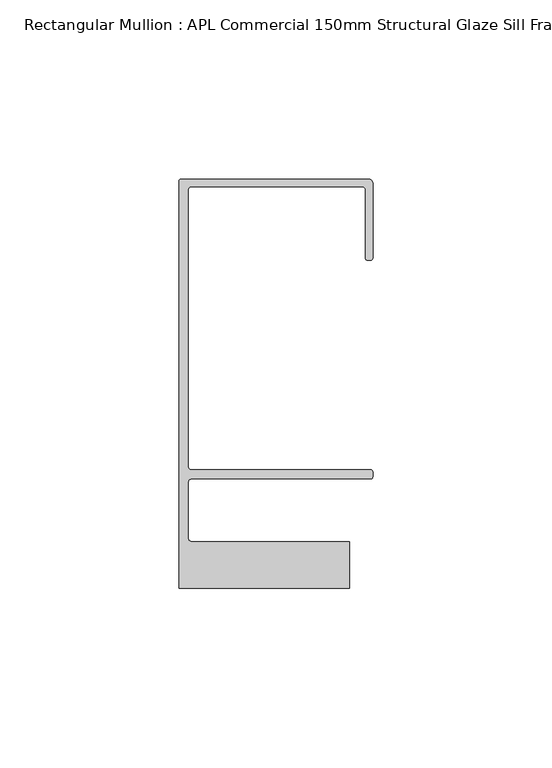
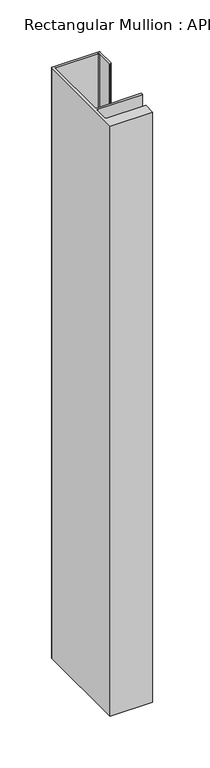
"""IFC4 building model written with IfcOpenShell, lengths in millimetres: member geometry, Rectangular Mullion : APL Commercial 150mm Structural Glaze Sill Frame (Back)."""

from ifc_helpers import new_model, si_unit, frame, origin, place, context, project, spatial, polyline, circle_curve, source, transform, mapped, element, save
from ifc_brep_helpers import plane_surface, cylinder_surface, revolved_surface, advanced_brep


def rectangular_mullion_apl_commercial_150mm_structural_glaze_d2a00883(model_context):
    return source(origin(), model_context, "Body", "AdvancedBrep", [
        advanced_brep(
        [(-53.5000083, 129.0001071, 0.0), (-54.0000083, 128.5001071, 0.0), (-54.0000083, 15.0004332, 0.0), (-6.5000083, 15.0004332, 0.0), (-6.5000083, 28.0004332, 0.0), (-50.500032, 28.0004332, 0.0), (-51.500032, 29.0004332, 0.0), (-51.500032, 44.4999541, 0.0), (-50.500032, 45.4999541, 0.0), (-0.521387, 45.4999541, 0.0), (-5.4e-06, 46.0213357, 0.0), (-5.4e-06, 47.5021598, 0.0), (-0.5000012, 48.000115, 0.0), (-50.482081, 48.000115, 0.0), (-51.5000225, 48.9999541, 0.0), (-51.5000225, 126.00011, 0.0), (-50.5000083, 127.00011, 0.0), (-2.9999982, 127.00011, 0.0), (-1.9999982, 126.0001071, 0.0), (-1.9999982, 107.0001071, 0.0), (-1.4999822, 106.5001071, 0.0), (-0.5, 106.5001071, 0.0), (0.0, 107.0001071, 0.0), (0.0, 128.0001071, 0.0), (-1.0000079, 129.0001071, 0.0), (-53.5000083, 129.0001071, -698.0499782), (-1.0000079, 129.0001071, -698.0499782), (-7.9e-06, 128.0001071, -698.0499782), (0.0, 107.0001071, -698.0499782), (-0.5, 106.5001071, -698.0499782), (-1.4999822, 106.5001071, -698.0499782), (-1.9999822, 107.0001071, -698.0499782), (-1.9999982, 126.0001071, -698.0499782), (-2.9999982, 127.0001071, -698.0499782), (-50.5000083, 127.00011, -698.0499782), (-51.5000083, 126.00011, -698.0499782), (-51.5000225, 48.9999541, -698.0499782), (-50.482081, 48.000115, -698.0499782), (-0.5000012, 48.000115, -698.0499782), (-5.4e-06, 47.5021598, -698.0499782), (-5.4e-06, 46.0213357, -698.0499782), (-0.521387, 45.4999541, -698.0499782), (-50.500032, 45.4999541, -698.0499782), (-51.500032, 44.4999541, -698.0499782), (-51.500032, 29.0004332, -698.0499782), (-50.500032, 28.0004332, -698.0499782), (-6.5000083, 28.0004332, -698.0499782), (-6.5000083, 15.0004332, -698.0499782), (-54.0000083, 15.0004332, -698.0499782), (-54.0000083, 128.5001071, -698.0499782)],
        [
            (0, 1, circle_curve(frame((-53.5000083, 128.5001071, 0.0), z_axis=(0.0, 0.0, 1.0), x_axis=(0.0, 1.0, 0.0)), 0.5)),
            (1, 2),
            (2, 3),
            (3, 4),
            (4, 5),
            (5, 6, circle_curve(frame((-50.500032, 29.0004332, 0.0), z_axis=(0.0, 0.0, -1.0), x_axis=(0.0, -1.0, 0.0)), 1.0)),
            (6, 7),
            (7, 8, circle_curve(frame((-50.500032, 44.4999541, 0.0), z_axis=(0.0, 0.0, -1.0), x_axis=(-0.9999999999998819, 4.863123717036027e-07, 0.0)), 1.0)),
            (8, 9),
            (9, 10, circle_curve(frame((-0.521387, 46.0213357, 0.0), z_axis=(0.0, 0.0, 1.0), x_axis=(-1.0, 0.0, 0.0)), 0.5213816)),
            (10, 11),
            (11, 12, circle_curve(frame((-0.5000012, 47.500115, 0.0), z_axis=(0.0, 0.0, 1.0), x_axis=(0.9999999999999991, -4.5120271963110614e-08, 0.0)), 0.5)),
            (12, 13),
            (13, 14, circle_curve(frame((-50.5000225, 48.9999541, 0.0), z_axis=(0.0, 0.0, -1.0), x_axis=(3.5344775231070867e-06, -0.9999999999937538, 0.0)), 1.0)),
            (14, 15),
            (15, 16, circle_curve(frame((-50.5000083, 126.00011, 0.0), z_axis=(0.0, 0.0, -1.0), x_axis=(-1.0, 3.636202450239078e-12, 0.0)), 1.0)),
            (16, 17),
            (17, 18, circle_curve(frame((-2.9999982, 126.0001071, 0.0), z_axis=(0.0, 0.0, -1.0), x_axis=(0.0, 1.0, 0.0)), 1.0)),
            (18, 19),
            (19, 20, circle_curve(frame((-1.4999822, 107.0001071, 0.0), z_axis=(0.0, 0.0, 1.0), x_axis=(-1.0, -1.039279773351609e-08, 0.0)), 0.5)),
            (20, 21),
            (21, 22, circle_curve(frame((-0.5, 107.0001071, 0.0), z_axis=(0.0, 0.0, 1.0), x_axis=(0.0, -1.0, 0.0)), 0.5)),
            (22, 23),
            (23, 24, circle_curve(frame((-1.0000079, 128.0001071, 0.0), z_axis=(0.0, 0.0, 1.0), x_axis=(0.9999999999996143, 8.78371761103865e-07, 0.0)), 1.0)),
            (24, 0),
            (25, 26),
            (26, 27, circle_curve(frame((-1.0000079, 128.0001071, -698.0499782), z_axis=(0.0, 0.0, -1.0), x_axis=(0.9999999999996143, 8.78371761103865e-07, 0.0)), 1.0)),
            (27, 28),
            (28, 29, circle_curve(frame((-0.5, 107.0001071, -698.0499782), z_axis=(0.0, 0.0, -1.0), x_axis=(0.0, -1.0, 0.0)), 0.5)),
            (29, 30),
            (30, 31, circle_curve(frame((-1.4999822, 107.0001071, -698.0499782), z_axis=(0.0, 0.0, -1.0), x_axis=(-1.0, -1.039279773351609e-08, 0.0)), 0.5)),
            (31, 32),
            (32, 33, circle_curve(frame((-2.9999982, 126.0001071, -698.0499782), z_axis=(0.0, 0.0, 1.0), x_axis=(0.0, 1.0, 0.0)), 1.0)),
            (33, 34),
            (34, 35, circle_curve(frame((-50.5000083, 126.00011, -698.0499782), z_axis=(0.0, 0.0, 1.0), x_axis=(-1.0, 3.636202450239078e-12, 0.0)), 1.0)),
            (35, 36),
            (36, 37, circle_curve(frame((-50.5000225, 48.9999541, -698.0499782), z_axis=(0.0, 0.0, 1.0), x_axis=(3.5344775231070867e-06, -0.9999999999937538, 0.0)), 1.0)),
            (37, 38),
            (38, 39, circle_curve(frame((-0.5000012, 47.500115, -698.0499782), z_axis=(0.0, 0.0, -1.0), x_axis=(0.9999999999999991, -4.5120271963110614e-08, 0.0)), 0.5)),
            (39, 40),
            (40, 41, circle_curve(frame((-0.521387, 46.0213357, -698.0499782), z_axis=(0.0, 0.0, -1.0), x_axis=(-1.0, 0.0, 0.0)), 0.5213816)),
            (41, 42),
            (42, 43, circle_curve(frame((-50.500032, 44.4999541, -698.0499782), z_axis=(0.0, 0.0, 1.0), x_axis=(-0.9999999999998819, 4.863123717036027e-07, 0.0)), 1.0)),
            (43, 44),
            (44, 45, circle_curve(frame((-50.500032, 29.0004332, -698.0499782), z_axis=(0.0, 0.0, 1.0), x_axis=(0.0, -1.0, 0.0)), 1.0)),
            (45, 46),
            (46, 47),
            (47, 48),
            (48, 49),
            (49, 25, circle_curve(frame((-53.5000083, 128.5001071, -698.0499782), z_axis=(0.0, 0.0, -1.0), x_axis=(0.0, 1.0, 0.0)), 0.5)),
            (0, 25),
            (49, 1),
            (48, 2),
            (47, 3),
            (46, 4),
            (45, 5),
            (44, 6),
            (43, 7),
            (42, 8),
            (41, 9),
            (40, 10),
            (39, 11),
            (38, 12),
            (37, 13),
            (36, 14),
            (35, 15),
            (34, 16),
            (33, 17),
            (32, 18),
            (31, 19),
            (30, 20),
            (29, 21),
            (28, 22),
            (27, 23),
            (26, 24),
        ],
        [
            plane_surface(frame((0.0, -139.6548314, 0.0), z_axis=(0.0, 0.0, 1.0), x_axis=(-1.0, 0.0, 0.0))),
            plane_surface(frame((0.0, -139.6548314, -698.0499782), z_axis=(0.0, 0.0, -1.0), x_axis=(-1.0, 0.0, 0.0))),
            cylinder_surface(frame((-53.5000083, 128.5001071, 0.0), z_axis=(0.0, 0.0, 1.0), x_axis=(0.0, 1.0, 0.0)), 0.5),
            plane_surface(frame((-54.0000083, 128.5001071, 0.0), z_axis=(-1.0, 0.0, 0.0), x_axis=(0.0, 0.0, -1.0))),
            plane_surface(frame((-54.0000083, 15.0004332, 0.0), z_axis=(0.0, -1.0, 0.0), x_axis=(0.0, 0.0, -1.0))),
            plane_surface(frame((-6.5000083, 15.0004332, 0.0), z_axis=(1.0, 0.0, 0.0), x_axis=(0.0, 0.0, -1.0))),
            plane_surface(frame((-6.5000083, 28.0004332, 0.0), z_axis=(0.0, 1.0, 0.0), x_axis=(0.0, 0.0, -1.0))),
            revolved_surface(polyline([(-50.500032, 28.0004332, -698.0499782), (-50.500032, 28.0004332, 0.0)]), (-50.500032, 29.0004332, 0.0), (0.0, 0.0, -1.0)),
            plane_surface(frame((-51.500032, 29.0004332, 0.0), z_axis=(1.0, 0.0, 0.0), x_axis=(0.0, 0.0, -1.0))),
            revolved_surface(polyline([(-51.50003199999988, 44.49995458631237, -698.0499782000003), (-51.50003199999988, 44.49995458631237, 0.0)]), (-50.500032, 44.4999541, 0.0), (0.0, 0.0, -1.0000000000000002)),
            plane_surface(frame((-50.500032, 45.4999541, 0.0), z_axis=(0.0, -1.0, 0.0), x_axis=(0.0, 0.0, -1.0))),
            cylinder_surface(frame((-0.521387, 46.0213357, 0.0), z_axis=(0.0, 0.0, 1.0), x_axis=(-1.0, 0.0, 0.0)), 0.5213816),
            plane_surface(frame((-5.4e-06, 46.0213357, 0.0), z_axis=(1.0, 0.0, 0.0), x_axis=(0.0, 0.0, -1.0))),
            cylinder_surface(frame((-0.5000012, 47.500115, 0.0), z_axis=(0.0, 0.0, 1.0000000000000002), x_axis=(0.9999999999999991, -4.5120271963110614e-08, 0.0)), 0.5),
            plane_surface(frame((-0.5000012, 48.000115, 0.0), z_axis=(0.0, 1.0, 0.0), x_axis=(0.0, 0.0, -1.0))),
            revolved_surface(polyline([(-50.50001896552248, 47.99995410000624, -698.0499782), (-50.50001896552248, 47.99995410000624, 0.0)]), (-50.5000225, 48.9999541, 0.0), (0.0, 0.0, -1.0)),
            plane_surface(frame((-51.5000225, 48.9999541, 0.0), z_axis=(1.0, 0.0, 0.0), x_axis=(0.0, 0.0, -1.0))),
            revolved_surface(polyline([(-51.5000083, 126.00011000000364, -698.0499782), (-51.5000083, 126.00011000000364, 0.0)]), (-50.5000083, 126.00011, 0.0), (0.0, 0.0, -1.0)),
            plane_surface(frame((-50.5000083, 127.00011, 0.0), z_axis=(0.0, -1.0, 0.0), x_axis=(0.0, 0.0, -1.0))),
            revolved_surface(polyline([(-2.9999982, 127.0001071, -698.0499782), (-2.9999982, 127.0001071, 0.0)]), (-2.9999982, 126.0001071, 0.0), (0.0, 0.0, -1.0)),
            plane_surface(frame((-1.9999982, 126.0001071, 0.0), z_axis=(-1.0, 0.0, 0.0), x_axis=(0.0, 0.0, -1.0))),
            cylinder_surface(frame((-1.4999822, 107.0001071, 0.0), z_axis=(0.0, 0.0, 1.0), x_axis=(-1.0, -1.039279773351609e-08, 0.0)), 0.5),
            plane_surface(frame((-1.4999822, 106.5001071, 0.0), z_axis=(0.0, -1.0, 0.0), x_axis=(0.0, 0.0, -1.0))),
            cylinder_surface(frame((-0.5, 107.0001071, 0.0), z_axis=(0.0, 0.0, 1.0), x_axis=(0.0, -1.0, 0.0)), 0.5),
            plane_surface(frame((0.0, 107.0001071, 0.0), z_axis=(1.0, 0.0, 0.0), x_axis=(0.0, 0.0, -1.0))),
            cylinder_surface(frame((-1.0000079, 128.0001071, 0.0), z_axis=(0.0, 0.0, 1.0000000000000002), x_axis=(0.9999999999996143, 8.78371761103865e-07, 0.0)), 1.0),
            plane_surface(frame((-1.0000079, 129.0001071, 0.0), z_axis=(0.0, 1.0, 0.0), x_axis=(0.0, 0.0, -1.0))),
        ],
        [
            (0, [[1, 2, 3, 4, 5, 6, 7, 8, 9, 10, 11, 12, 13, 14, 15, 16, 17, 18, 19, 20, 21, 22, 23, 24, 25]]),
            (1, [[26, 27, 28, 29, 30, 31, 32, 33, 34, 35, 36, 37, 38, 39, 40, 41, 42, 43, 44, 45, 46, 47, 48, 49, 50]]),
            (2, [[-1, 51, -50, 52]]),
            (3, [[-2, -52, -49, 53]]),
            (4, [[-3, -53, -48, 54]]),
            (5, [[-4, -54, -47, 55]]),
            (6, [[-5, -55, -46, 56]]),
            (7, [[-6, -56, -45, 57]]),
            (8, [[-7, -57, -44, 58]]),
            (9, [[-8, -58, -43, 59]]),
            (10, [[-9, -59, -42, 60]]),
            (11, [[-10, -60, -41, 61]]),
            (12, [[-11, -61, -40, 62]]),
            (13, [[-12, -62, -39, 63]]),
            (14, [[-13, -63, -38, 64]]),
            (15, [[-14, -64, -37, 65]]),
            (16, [[-15, -65, -36, 66]]),
            (17, [[-16, -66, -35, 67]]),
            (18, [[-17, -67, -34, 68]]),
            (19, [[-18, -68, -33, 69]]),
            (20, [[-19, -69, -32, 70]]),
            (21, [[-20, -70, -31, 71]]),
            (22, [[-21, -71, -30, 72]]),
            (23, [[-22, -72, -29, 73]]),
            (24, [[-23, -73, -28, 74]]),
            (25, [[-24, -74, -27, 75]]),
            (26, [[-25, -75, -26, -51]]),
        ],
    ),
    ])


if __name__ == "__main__":
    model = new_model("IFC4")
    model_context = context("Model", 3, world=origin())
    ifc_project = project(units=[si_unit("LENGTHUNIT", "METRE", prefix="MILLI")], contexts=[model_context])
    site = spatial("IfcSite", under=ifc_project)
    building = spatial("IfcBuilding", under=site)
    placement = place(None, origin())
    rectangular_mullion_apl_commercial_150mm_structural_glaze_shape = rectangular_mullion_apl_commercial_150mm_structural_glaze_d2a00883(model_context)
    element("IfcMember", 1, ObjectType="Rectangular Mullion : APL Commercial 150mm Structural Glaze Sill Frame (Back)", at=placement, inside=building, context=model_context, shape_type="MappedRepresentation", body=[
        mapped(rectangular_mullion_apl_commercial_150mm_structural_glaze_shape, transform((0.0, 0.0, 0.0), x_axis=(1.0, 0.0, 0.0), y_axis=(0.0, 1.0, 0.0), z_axis=(0.0, 0.0, 1.0))),
    ])
    save(model, "model.ifc")
